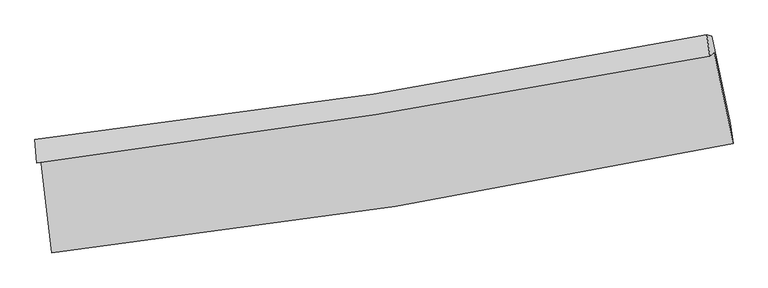
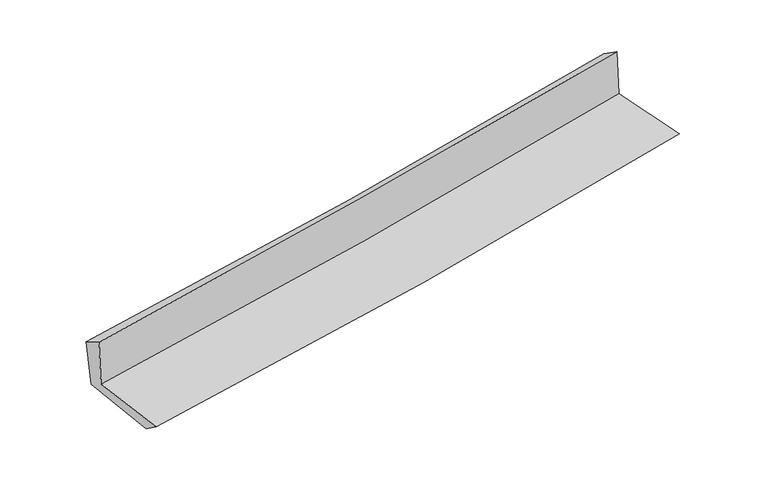
"""IFC4 building model written with IfcOpenShell, lengths in millimetres: proxy geometry."""

import ifcopenshell
import ifcopenshell.guid

model = None  # the IFC model being written
_history = None  # IfcOwnerHistory: only IFC2X3 demands one
_inside = {}  # id of a spatial element -> (the spatial element, [elements in it])
_under = {}  # id of a project, library or spatial element -> (it, [spatial elements below it])
_declared = {}  # id of a project -> (the project, [libraries it declares])
_typed = {}  # id of a type object -> (the type object, [elements of that type])
_made_of = {}  # id of a material, layer set ... -> (it, [elements and type objects made of it])


def new_model(schema):
    """Start an empty IFC model of exactly this schema.

    Asked for "IFC4X3", IfcOpenShell would pick the latest addendum, in which some entities
    have other attributes; the version numbers below select the first issue.
    IFC2X3 requires an IfcOwnerHistory on every rooted entity: one is made here for all.
    """
    global model, _history
    if schema == "IFC4X3":
        model = ifcopenshell.file(schema_version=(4, 3, 0, 0))
    else:
        model = ifcopenshell.file(schema=schema)
    _inside.clear()
    _under.clear()
    _declared.clear()
    _typed.clear()
    _made_of.clear()
    _history = None
    if model.schema == "IFC2X3":
        org = make("IfcOrganization", Name="unknown")
        user = make(
            "IfcPersonAndOrganization",
            ThePerson=make("IfcPerson", FamilyName="unknown"),
            TheOrganization=org,
        )
        app = make(
            "IfcApplication",
            ApplicationDeveloper=org,
            Version="unknown",
            ApplicationFullName="unknown",
            ApplicationIdentifier="unknown",
        )
        _history = make(
            "IfcOwnerHistory",
            OwningUser=user,
            OwningApplication=app,
            ChangeAction="ADDED",
            CreationDate=0,
        )
    return model


def make(cls, **values):
    """One entity of the class cls with the attributes given. An attribute that is None is left unset."""
    return model.create_entity(
        cls, **{name: value for name, value in values.items() if value is not None}
    )


def rooted(cls, **values):
    """An entity with a GlobalId (a new one), such as an element, a storey or a relation."""
    return make(cls, GlobalId=ifcopenshell.guid.new(), OwnerHistory=_history, **values)


def si_unit(unit_type, name, prefix=None):
    """IfcSIUnit, for example si_unit("LENGTHUNIT", "METRE", prefix="MILLI")."""
    return make("IfcSIUnit", UnitType=unit_type, Prefix=prefix, Name=name)


def assignment(units):
    """IfcUnitAssignment: the units of a project."""
    return None if units is None else make("IfcUnitAssignment", Units=units)


def point(xyz):
    """IfcCartesianPoint."""
    return None if xyz is None else make("IfcCartesianPoint", Coordinates=xyz)


def direction(xyz):
    """IfcDirection."""
    return None if xyz is None else make("IfcDirection", DirectionRatios=xyz)


def frame(location, z_axis=None, x_axis=None):
    """IfcAxis2Placement3D, a coordinate frame: its origin and axes. An axis left out is left unset."""
    return make(
        "IfcAxis2Placement3D",
        Location=point(location),
        Axis=direction(z_axis),
        RefDirection=direction(x_axis),
    )


def origin():
    """The frame at (0, 0, 0) with its axes left unset."""
    return frame((0.0, 0.0, 0.0))


def place(relative_to, where):
    """IfcLocalPlacement: puts the frame where relative to a parent placement (None: the world)."""
    return make(
        "IfcLocalPlacement", PlacementRelTo=relative_to, RelativePlacement=where
    )


def context(
    kind, dimensions, precision=None, world=None, true_north=None, identifier=None
):
    """IfcGeometricRepresentationContext, for example the 3D "Model" context."""
    return make(
        "IfcGeometricRepresentationContext",
        ContextIdentifier=identifier,
        ContextType=kind,
        CoordinateSpaceDimension=dimensions,
        Precision=precision,
        WorldCoordinateSystem=world,
        TrueNorth=true_north,
    )


def project(units=None, contexts=None):
    """IfcProject with its units and contexts."""
    return rooted(
        "IfcProject",
        Name="project",
        RepresentationContexts=contexts,
        UnitsInContext=assignment(units),
    )


def spatial(cls, under=None, at=None, **own):
    """A site, building, storey or space (cls), placed at a placement, below another one or the project."""
    s = rooted(cls, ObjectPlacement=at, **own)
    if under is not None:
        _under.setdefault(under.id(), (under, []))[1].append(s)
    return s


def shape(context_of_items, identifier, shape_type, items):
    """IfcShapeRepresentation: the items that make up one representation, for example the "Body"."""
    return make(
        "IfcShapeRepresentation",
        ContextOfItems=context_of_items,
        RepresentationIdentifier=identifier,
        RepresentationType=shape_type,
        Items=items,
    )


def source(mapping_origin, context_of_items, identifier, shape_type, items):
    """IfcRepresentationMap: a shape defined once, which mapped items show again and again."""
    return make(
        "IfcRepresentationMap",
        MappingOrigin=mapping_origin,
        MappedRepresentation=shape(context_of_items, identifier, shape_type, items),
    )


def transform(
    local_origin,
    x_axis=None,
    y_axis=None,
    z_axis=None,
    scale=None,
    scale2=None,
    scale3=None,
    uniform=True,
):
    """IfcCartesianTransformationOperator3D, or its non-uniform kind. x_axis, y_axis, z_axis: its Axis1, 2, 3."""
    if uniform:
        return make(
            "IfcCartesianTransformationOperator3D",
            Axis1=direction(x_axis),
            Axis2=direction(y_axis),
            LocalOrigin=point(local_origin),
            Scale=scale,
            Axis3=direction(z_axis),
        )
    return make(
        "IfcCartesianTransformationOperator3DnonUniform",
        Axis1=direction(x_axis),
        Axis2=direction(y_axis),
        LocalOrigin=point(local_origin),
        Scale=scale,
        Axis3=direction(z_axis),
        Scale2=scale2,
        Scale3=scale3,
    )


def mapped(mapping_source, mapping_target):
    """IfcMappedItem: shows the shape of a source again, moved by a transform."""
    return make(
        "IfcMappedItem", MappingSource=mapping_source, MappingTarget=mapping_target
    )


def made_of(thing, what):
    """Note that an element or type object is made of a material, layer set ...; save() writes the relation."""
    if what is not None:
        _made_of.setdefault(what.id(), (what, []))[1].append(thing)
    return thing


def element(
    cls,
    number,
    at=None,
    inside=None,
    cuts=None,
    type_object=None,
    material=None,
    context=None,
    identifier="Body",
    shape_type=None,
    held_by="IfcProductDefinitionShape",
    body=None,
    shapes=None,
    **own,
):
    """One element of the class cls, such as IfcWall. Its Tag is "e" and its number.

    at: its placement. inside: the storey or other place that contains it. cuts: it is an
    opening in that element (IfcRelVoidsElement). A single representation is given by context,
    identifier, shape_type and body (its items); several are given by shapes. held_by: the class
    of the entity that holds the representations. save() writes the other relations.
    """
    e = rooted(cls, Tag="e%d" % number, ObjectPlacement=at, **own)
    if body is not None:
        shapes = [shape(context, identifier, shape_type, body)]
    if shapes is not None:
        e.Representation = make(held_by, Representations=shapes)
    if inside is not None:
        _inside.setdefault(inside.id(), (inside, []))[1].append(e)
    if cuts is not None:
        rooted(
            "IfcRelVoidsElement", RelatingBuildingElement=cuts, RelatedOpeningElement=e
        )
    if type_object is not None:
        _typed.setdefault(type_object.id(), (type_object, []))[1].append(e)
    return made_of(e, material)


def aggregate(whole, parts):
    """IfcRelAggregates: a whole, such as a stair, and the parts it consists of."""
    return rooted("IfcRelAggregates", RelatingObject=whole, RelatedObjects=parts)


def save(model, path):
    """Write the relations noted so far, then the file.

    IfcRelAggregates (storeys below a building ...), IfcRelContainedInSpatialStructure (elements
    in a storey), IfcRelDefinesByType, IfcRelAssociatesMaterial and IfcRelDeclares: one each for
    every whole, place, type object, material and project.
    """
    for whole, parts in _under.values():
        aggregate(whole, parts)
    for where, things in _inside.values():
        rooted(
            "IfcRelContainedInSpatialStructure",
            RelatedElements=things,
            RelatingStructure=where,
        )
    for kind, things in _typed.values():
        rooted("IfcRelDefinesByType", RelatedObjects=things, RelatingType=kind)
    for what, things in _made_of.values():
        rooted("IfcRelAssociatesMaterial", RelatedObjects=things, RelatingMaterial=what)
    for by, libraries in _declared.values():
        rooted("IfcRelDeclares", RelatingContext=by, RelatedDefinitions=libraries)
    model.write(path)


def plane_surface(at):
    """IfcPlane: the flat surface through the origin of the frame at, square to its z axis."""
    return make("IfcPlane", Position=at)


def spline_curve(degree, points, multiplicities, knots, weights=None):
    """IfcBSplineCurveWithKnots; with weights, IfcRationalBSplineCurveWithKnots."""
    own = dict(
        Degree=degree,
        ControlPointsList=[point(p) for p in points],
        CurveForm="UNSPECIFIED",
        ClosedCurve=False,
        SelfIntersect=False,
        KnotMultiplicities=multiplicities,
        Knots=knots,
        KnotSpec="UNSPECIFIED",
    )
    if weights is None:
        return make("IfcBSplineCurveWithKnots", **own)
    return make("IfcRationalBSplineCurveWithKnots", WeightsData=weights, **own)


def spline_surface(u_degree, v_degree, points, u_multiplicities, v_multiplicities, u_knots, v_knots, weights=None):
    """IfcBSplineSurfaceWithKnots; with weights, IfcRationalBSplineSurfaceWithKnots. points: one row for each step in u."""
    own = dict(
        UDegree=u_degree,
        VDegree=v_degree,
        ControlPointsList=[[point(p) for p in row] for row in points],
        SurfaceForm="UNSPECIFIED",
        UClosed=False,
        VClosed=False,
        SelfIntersect=False,
        UMultiplicities=u_multiplicities,
        VMultiplicities=v_multiplicities,
        UKnots=u_knots,
        VKnots=v_knots,
        KnotSpec="UNSPECIFIED",
    )
    if weights is None:
        return make("IfcBSplineSurfaceWithKnots", **own)
    return make("IfcRationalBSplineSurfaceWithKnots", WeightsData=weights, **own)


def advanced_brep(points, edges, surfaces, faces):
    """IfcAdvancedBrep: a solid bounded by faces that lie on surfaces and meet in shared edges.

    An edge is (start, end): straight between two places in points (the first is 0);
    or (start, end, curve); or (start, end, curve, False) where it runs against its curve.
    A face is (place in surfaces, loops), or (place, loops, False) where it looks against
    its surface's normal. A loop lists edges by number (the first is 1), with a minus sign
    where the edge is run from its end to its start. The first loop is the outer one.
    """
    corners = [point(p) for p in points]
    vertices = [make("IfcVertexPoint", VertexGeometry=c) for c in corners]
    made = []
    for start, end, *more in edges:
        made.append(
            make(
                "IfcEdgeCurve",
                EdgeStart=vertices[start],
                EdgeEnd=vertices[end],
                EdgeGeometry=more[0] if more else make("IfcPolyline", Points=[corners[start], corners[end]]),
                SameSense=more[1] if len(more) > 1 else True,
            )
        )
    hull = []
    for where, loops, *sense in faces:
        bounds = []
        for j, loop in enumerate(loops):
            ring = [make("IfcOrientedEdge", EdgeElement=made[abs(k) - 1], Orientation=k > 0) for k in loop]
            bounds.append(
                make(
                    "IfcFaceOuterBound" if j == 0 else "IfcFaceBound",
                    Bound=make("IfcEdgeLoop", EdgeList=ring),
                    Orientation=True,
                )
            )
        hull.append(make("IfcAdvancedFace", Bounds=bounds, FaceSurface=surfaces[where], SameSense=sense[0] if sense else True))
    return make("IfcAdvancedBrep", Outer=make("IfcClosedShell", CfsFaces=hull))


def generic_models_59bc0cdf(model_context):
    return source(origin(), model_context, "Body", "AdvancedBrep", [
        advanced_brep(
        [(-2467.0858409, -1861.9323173, 1652.6973224), (-2387.6109975, -2538.1313066, 1649.8552607), (2539.6248954, -1746.4105805, 2090.9352736), (2402.9854384, -1090.2645421, 2101.2167529), (-2498.832372, -1888.6073757, 2056.8293286), (2371.6610313, -1112.8210508, 2504.5423944), (-2510.7772148, -1716.2096514, 1961.1639799), (2349.2266786, -959.5823831, 2400.7400732), (-2475.6637959, -1733.5863707, 1577.8298077), (2386.0860308, -968.2255293, 2007.7089711), (-2394.9800335, -2404.9719403, 1554.4415679), (2518.7491581, -1599.9934832, 1985.4789505)],
        [
            (0, 1),
            (1, 2, spline_curve(3, [(-2387.6109975, -2538.1313066, 1649.8552607), (-1556.992142022, -2448.180151743, 1731.959669394), (-729.032818723, -2336.789778696, 1809.932339081), (913.326301075, -2072.45687424, 1956.876912798), (1727.77894202, -1919.940338607, 2025.930914093), (2539.6248954, -1746.4105805, 2090.9352736)], [4, 2, 4], [0.0, 8.213697764825229, 16.34538331168983])),
            (2, 3),
            (3, 0, spline_curve(3, [(2402.9854384, -1090.2645421, 2101.2167529), (1600.271260009, -1249.865533052, 2030.843953801), (795.123449773, -1393.728389312, 1958.478518992), (-828.184306872, -1651.270035996, 1809.01243834), (-1646.393589895, -1764.629771525, 1731.871396399), (-2467.0858409, -1861.9323173, 1652.6973224)], [4, 2, 4], [0.0, 8.1316855468646, 16.34538331168983])),
            (4, 0),
            (3, 5),
            (5, 4, spline_curve(3, [(2371.6610313, -1112.8210508, 2504.5423944), (1567.777954614, -1268.01642295, 2438.035137325), (762.007938068, -1410.005194062, 2367.678695733), (-861.451609772, -1668.868369959, 2218.519040475), (-1679.179394142, -1785.475040034, 2139.637793674), (-2498.832372, -1888.6073757, 2056.8293286)], [4, 2, 4], [0.0, 8.08364875201542, 16.248825246286327])),
            (6, 4),
            (5, 7),
            (7, 6, spline_curve(3, [(2349.2266786, -959.5823831, 2400.7400732), (1548.467070702, -1119.436845101, 2334.221956153), (745.132000476, -1262.186243284, 2264.531350797), (-874.817085799, -1514.742099045, 2118.070301545), (-1691.483313242, -1624.201790536, 2041.235542395), (-2510.7772148, -1716.2096514, 1961.1639799)], [4, 2, 4], [0.0, 8.073173566355711, 16.227769227348766])),
            (8, 6),
            (7, 9),
            (9, 8, spline_curve(3, [(2386.0860308, -968.2255293, 2007.7089711), (1584.928919314, -1126.585473327, 1939.547975042), (781.25006212, -1269.304375828, 1869.831797218), (-839.282090753, -1524.741742954, 1726.570270783), (-1656.186508968, -1637.143121096, 1652.993393784), (-2475.6637959, -1733.5863707, 1577.8298077)], [4, 2, 4], [0.0, 8.063781281710403, 16.208889932051957])),
            (10, 8),
            (9, 11),
            (11, 10, spline_curve(3, [(2518.7491581, -1599.9934832, 1985.4789505), (1709.039725394, -1768.465013564, 1915.298497094), (896.774996511, -1919.533497493, 1844.471972139), (-741.082931434, -2188.212457378, 1700.805942285), (-1566.727932969, -2305.470125693, 1627.953339559), (-2394.9800335, -2404.9719403, 1554.4415679)], [4, 2, 4], [0.0, 8.11246006465793, 16.30673844843128])),
            (1, 10),
            (11, 2),
        ],
        [
            spline_surface(3, 3, [[(-2467.0858409, -1861.9323173, 1652.6973224), (-1646.393589816, -1764.62977159, 1731.871396401), (-828.184306905, -1651.270036104, 1809.012438348), (795.123449806, -1393.728389206, 1958.478518985), (1600.271259991, -1249.865532972, 2030.843953876), (2402.9854384, -1090.2645421, 2101.2167529)], [(-2440.594226434, -2087.331980419, 1651.74996849), (-1616.593107175, -1992.479898313, 1731.900820738), (-795.133810824, -1879.776616937, 1809.319071929), (834.524400179, -1619.971217544, 1957.944650236), (1642.773820655, -1473.223801541, 2029.206273934), (2448.531924059, -1308.979888238, 2097.78959315)], [(-2414.102611966, -2312.731643481, 1650.80261461), (-1586.792624531, -2220.330024978, 1731.930245103), (-762.083314697, -2108.283197826, 1809.625705536), (873.925350598, -1846.214045938, 1957.410781512), (1685.276381342, -1696.582070094, 2027.568593945), (2494.078409741, -1527.695234362, 2094.36243335)], [(-2387.6109975, -2538.1313066, 1649.8552607), (-1556.99214189, -2448.180151702, 1731.959669439), (-729.032818617, -2336.789778659, 1809.932339117), (913.32630097, -2072.456874277, 1956.876912763), (1727.778942006, -1919.940338663, 2025.930914004), (2539.6248954, -1746.4105805, 2090.9352736)]], [4, 4], [4, 2, 4], [0.0, 2.2662253081619004], [0.0, 8.213697764825229, 16.34538331168983]),
            spline_surface(3, 3, [[(-2498.832372, -1888.6073757, 2056.8293286), (-1679.179394144, -1785.475040101, 2139.637793759), (-861.451609684, -1668.86836984, 2218.519040579), (762.007937981, -1410.00519418, 2367.67869563), (1567.777954595, -1268.016422819, 2438.035137437), (2371.6610313, -1112.8210508, 2504.5423944)], [(-2488.250194959, -1879.71568956, 1922.118659846), (-1668.250792694, -1778.526617257, 2003.715661285), (-850.362508743, -1663.0022586, 2082.016839834), (773.046441938, -1404.579592527, 2231.278636748), (1578.60905639, -1261.966126195, 2302.304742907), (2382.10250033, -1105.302214558, 2370.100513891)], [(-2477.668017941, -1870.82400344, 1787.407991154), (-1657.322191266, -1771.578194434, 1867.793528875), (-839.273407847, -1657.136147344, 1945.514639092), (784.084945849, -1399.153990859, 2094.878577868), (1589.440158196, -1255.915829597, 2166.574348405), (2392.54396937, -1097.783378342, 2235.658633409)], [(-2467.0858409, -1861.9323173, 1652.6973224), (-1646.393589816, -1764.62977159, 1731.871396401), (-828.184306905, -1651.270036104, 1809.012438348), (795.123449806, -1393.728389206, 1958.478518985), (1600.271259991, -1249.865532972, 2030.843953876), (2402.9854384, -1090.2645421, 2101.2167529)]], [4, 4], [4, 2, 4], [0.0, 1.3485815266199193], [0.0, 8.165176494270906, 16.248825246286327]),
            spline_surface(3, 3, [[(-2510.7772148, -1716.2096514, 1961.1639799), (-1691.483313219, -1624.201790468, 2041.235542428), (-874.817085715, -1514.742099171, 2118.070301471), (745.132000393, -1262.186243159, 2264.531350869), (1548.467070702, -1119.436845054, 2334.221956243), (2349.2266786, -959.5823831, 2400.7400732)], [(-2506.795600542, -1773.675559499, 1993.05242948), (-1687.382006869, -1677.959540345, 2074.036292884), (-870.361927057, -1566.117522742, 2151.553214515), (750.757312903, -1311.459226848, 2298.913799131), (1554.90403201, -1168.963370985, 2368.826349966), (2356.704796178, -1010.661939009, 2435.340846925)], [(-2502.813986258, -1831.141467601, 2024.94087902), (-1683.280700494, -1731.717290224, 2106.837043302), (-865.906768341, -1617.492946269, 2185.036127535), (756.382625471, -1360.732210492, 2333.296247369), (1561.340993286, -1218.489896888, 2403.430743714), (2364.182913722, -1061.741494891, 2469.941620675)], [(-2498.832372, -1888.6073757, 2056.8293286), (-1679.179394144, -1785.475040101, 2139.637793759), (-861.451609684, -1668.86836984, 2218.519040579), (762.007937981, -1410.00519418, 2367.67869563), (1567.777954595, -1268.016422819, 2438.035137437), (2371.6610313, -1112.8210508, 2504.5423944)]], [4, 4], [4, 2, 4], [0.0, 0.5995105855053247], [0.0, 8.154595660993055, 16.227769227348766]),
            spline_surface(3, 3, [[(-2475.6637959, -1733.5863707, 1577.8298077), (-1656.186509012, -1637.143121, 1652.993393886), (-839.282090732, -1524.741743027, 1726.570270658), (781.250062099, -1269.304375755, 1869.831797342), (1584.928919443, -1126.585473243, 1939.547975009), (2386.0860308, -968.2255293, 2007.7089711)], [(-2487.368268881, -1727.794130938, 1705.607865101), (-1667.952110429, -1632.82934416, 1782.407443401), (-851.127089052, -1521.408528408, 1857.070280911), (769.210708204, -1266.931664889, 2001.398315166), (1572.774969871, -1124.202597159, 2071.105968749), (2373.799580075, -965.344480546, 2138.719338462)], [(-2499.072741819, -1722.001891162, 1833.385922499), (-1679.717711802, -1628.515567308, 1911.821492913), (-862.972087394, -1518.07531379, 1987.570291218), (757.171354288, -1264.558954025, 2132.964833045), (1560.621020274, -1121.819721137, 2202.663962504), (2361.513129325, -962.463431854, 2269.729705838)], [(-2510.7772148, -1716.2096514, 1961.1639799), (-1691.483313219, -1624.201790468, 2041.235542428), (-874.817085715, -1514.742099171, 2118.070301471), (745.132000393, -1262.186243159, 2264.531350869), (1548.467070702, -1119.436845054, 2334.221956243), (2349.2266786, -959.5823831, 2400.7400732)]], [4, 4], [4, 2, 4], [0.0, 1.2952943862175068], [0.0, 8.145108650341554, 16.208889932051957]),
            spline_surface(3, 3, [[(-2394.9800335, -2404.9719403, 1554.4415679), (-1566.727932911, -2305.470125734, 1627.953339526), (-741.082931303, -2188.21245736, 1700.805942269), (896.774996382, -1919.533497511, 1844.471972155), (1709.039725282, -1768.465013513, 1915.298496967), (2518.7491581, -1599.9934832, 1985.4789505)], [(-2421.874620951, -2181.176750421, 1562.237647823), (-1596.547458263, -2082.694457476, 1636.300024303), (-773.81598445, -1967.055552553, 1709.39405174), (858.26668495, -1702.790456896, 1852.925247226), (1667.669456642, -1554.50516675, 1923.381656328), (2474.52811564, -1389.404165227, 1992.888957381)], [(-2448.769208449, -1957.381560579, 1570.033727777), (-1626.36698366, -1859.918789257, 1644.646709109), (-806.549037585, -1745.898647834, 1717.982161187), (819.758373531, -1486.04741637, 1861.378522271), (1626.299188083, -1340.545320005, 1931.464815648), (2430.30707326, -1178.814847273, 2000.298964219)], [(-2475.6637959, -1733.5863707, 1577.8298077), (-1656.186509012, -1637.143121, 1652.993393886), (-839.282090732, -1524.741743027, 1726.570270658), (781.250062099, -1269.304375755, 1869.831797342), (1584.928919443, -1126.585473243, 1939.547975009), (2386.0860308, -968.2255293, 2007.7089711)]], [4, 4], [4, 2, 4], [0.0, 2.185131410308094], [0.0, 8.19427838377335, 16.30673844843128]),
            spline_surface(3, 3, [[(-2387.6109975, -2538.1313066, 1649.8552607), (-1556.99214189, -2448.180151702, 1731.959669439), (-729.032818617, -2336.789778659, 1809.932339117), (913.32630097, -2072.456874277, 1956.876912763), (1727.778942006, -1919.940338663, 2025.930914004), (2539.6248954, -1746.4105805, 2090.9352736)], [(-2390.067342832, -2493.744851163, 1618.05069646), (-1560.237405562, -2400.610143042, 1697.290892829), (-733.049522828, -2287.264004921, 1773.556873512), (907.809199458, -2021.482415383, 1919.408599238), (1721.532536451, -1869.448563633, 1989.05344165), (2532.666316319, -1697.604881421, 2055.783165892)], [(-2392.523688168, -2449.358395737, 1586.24613214), (-1563.482669238, -2353.040134393, 1662.622116137), (-737.066227092, -2237.738231098, 1737.181407874), (902.292097894, -1970.507956404, 1881.94028568), (1715.286130838, -1818.956788542, 1952.17596932), (2525.707737181, -1648.799182279, 2020.631058208)], [(-2394.9800335, -2404.9719403, 1554.4415679), (-1566.727932911, -2305.470125734, 1627.953339526), (-741.082931303, -2188.21245736, 1700.805942269), (896.774996382, -1919.533497511, 1844.471972155), (1709.039725282, -1768.465013513, 1915.298496967), (2518.7491581, -1599.9934832, 1985.4789505)]], [4, 4], [4, 2, 4], [0.0, 0.6154370077806328], [0.0, 8.252352259168596, 16.42230634256487]),
            plane_surface(frame((2428.0555388, -1246.2162615, 2181.7704026), z_axis=(0.9755524651314382, 0.20179034604964444, 0.08705196159271249), x_axis=(-0.09335019309491892, 0.021889678597697786, 0.9953926780020189))),
            plane_surface(frame((-2455.8250424, -2023.9064937, 1742.1362112), z_axis=(-0.9895780546725367, -0.11594793872641855, -0.08538939755972495), x_axis=(-0.11672726233270087, 0.9931552356264554, 0.004174227601941622))),
        ],
        [
            (0, [[1, 2, 3, 4]]),
            (1, [[5, -4, 6, 7]]),
            (2, [[8, -7, 9, 10]]),
            (3, [[11, -10, 12, 13]]),
            (4, [[14, -13, 15, 16]]),
            (5, [[17, -16, 18, -2]]),
            (6, [[-12, -9, -6, -3, -18, -15]]),
            (7, [[-1, -5, -8, -11, -14, -17]]),
        ],
    ),
    ])


if __name__ == "__main__":
    model = new_model("IFC4")
    model_context = context("Model", 3, world=origin())
    ifc_project = project(units=[si_unit("LENGTHUNIT", "METRE", prefix="MILLI")], contexts=[model_context])
    site = spatial("IfcSite", under=ifc_project)
    building = spatial("IfcBuilding", under=site)
    placement = place(None, origin())
    generic_models_shape = generic_models_59bc0cdf(model_context)
    element("IfcBuildingElementProxy", 1, Name="Generic Models", at=placement, inside=building, context=model_context, shape_type="MappedRepresentation", body=[
        mapped(generic_models_shape, transform((0.0, 0.0, 0.0), x_axis=(1.0, 0.0, 0.0), y_axis=(0.0, 1.0, 0.0), z_axis=(0.0, 0.0, 1.0))),
    ])
    save(model, "model.ifc")
